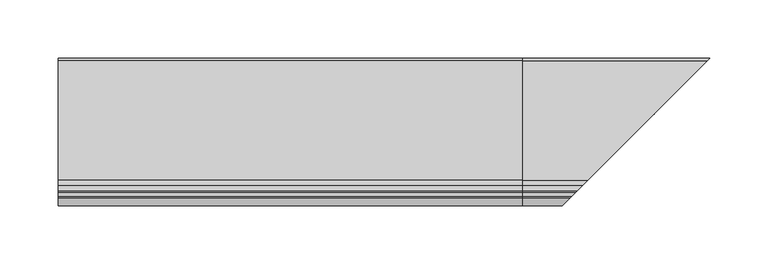
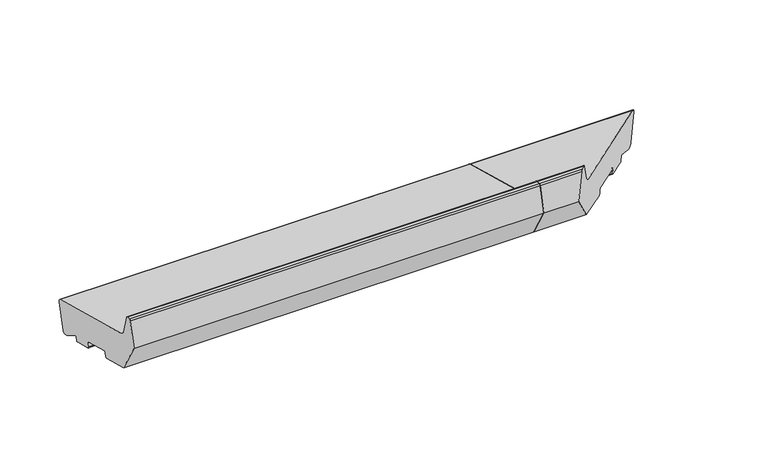
"""IFC4 building model written with IfcOpenShell, lengths in millimetres: proxy geometry."""

from ifc_helpers import new_model, si_unit, point, frame, frame_2d, origin, place, context, project, spatial, polyline, circle_curve, ellipse_curve, trimmed, segment, composite_curve, outline, extrude, source, transform, mapped, element, save
from ifc_brep_helpers import plane_surface, cylinder_surface, revolved_surface, advanced_brep


def generic_models_b66221b9(model_context):
    return source(origin(), model_context, "Body", "SolidModel", [
        advanced_brep(
        [(400.0, 28.1351575, 11.0), (400.0, 24.4609229, 8.8786797), (400.0, 21.7441453, 9.606638), (400.0, 7.5759156, 18.1940842), (400.0, 6.0916598, 17.5977226), (400.0, 5.1424063, 14.0550606), (400.0, 3.9176615, 13.3479538), (400.0, -13.4690034, 18.0066966), (400.0, -14.1761102, 19.2314415), (400.0, -13.140834, 23.0951448), (400.0, -13.8479408, 24.3198896), (400.0, -41.8597898, 31.8256419), (400.0, -43.0845346, 31.1185352), (400.0, -44.1198108, 27.2548319), (400.0, -45.3445557, 26.5477251), (400.0, -74.3223305, 34.3122964), (400.0, -92.0, 64.9309182), (400.0, -85.4291321, 89.4537311), (400.0, -83.9802434, 90.5655025), (400.0, -80.6368689, 90.5655025), (400.0, -79.1879801, 89.4537311), (400.0, -74.4052841, 71.6044663), (400.0, -70.1626434, 67.3618256), (400.0, 32.7431323, 39.7883061), (400.0, 34.8644526, 36.1140715), (560.8644526, 34.8644526, 36.1140715), (554.1351575, 28.1351575, 11.0), (558.7431323, 32.7431323, 39.7883061), (455.8373566, -70.1626434, 67.3618256), (451.5947159, -74.4052841, 71.6044663), (446.8120199, -79.1879801, 89.4537311), (445.3631311, -80.6368689, 90.5655025), (442.0197566, -83.9802434, 90.5655025), (440.5708679, -85.4291321, 89.4537311), (434.0, -92.0, 64.9309182), (451.6776695, -74.3223305, 34.3122964), (480.6554443, -45.3445557, 26.5477251), (481.8801892, -44.1198108, 27.2548319), (482.9154654, -43.0845346, 31.1185352), (484.1402102, -41.8597898, 31.8256419), (512.1520592, -13.8479408, 24.3198896), (512.859166, -13.140834, 23.0951448), (511.8238898, -14.1761102, 19.2314415), (512.5309966, -13.4690034, 18.0066966), (529.9176615, 3.9176615, 13.3479538), (531.1424063, 5.1424063, 14.0550606), (532.0916598, 6.0916598, 17.5977226), (533.5759156, 7.5759156, 18.1940842), (547.7441453, 21.7441453, 9.606638), (550.4609229, 24.4609229, 8.8786797)],
        [
            (0, 1, circle_curve(frame((400.0, 25.23738, 11.7764571), z_axis=(-1.0, 0.0, 0.0), x_axis=(0.0, 1.0, 0.0)), 3.0)),
            (1, 2),
            (2, 3),
            (3, 4, circle_curve(frame((400.0, 7.0575856, 17.3389035), z_axis=(1.0, 0.0, 0.0), x_axis=(0.0, 1.0, 0.0)), 1.0)),
            (4, 5),
            (5, 6, circle_curve(frame((400.0, 4.1764805, 14.3138796), z_axis=(-1.0, 0.0, 0.0), x_axis=(0.0, 1.0, 0.0)), 1.0)),
            (6, 7),
            (7, 8, circle_curve(frame((400.0, -13.2101844, 18.9726224), z_axis=(-1.0, 0.0, 0.0), x_axis=(0.0, 1.0, 0.0)), 1.0)),
            (8, 9),
            (9, 10, circle_curve(frame((400.0, -14.1067598, 23.3539638), z_axis=(1.0, 0.0, 0.0), x_axis=(0.0, 1.0, 0.0)), 1.0)),
            (10, 11),
            (11, 12, circle_curve(frame((400.0, -42.1186088, 30.8597161), z_axis=(1.0, 0.0, 0.0), x_axis=(0.0, 1.0, 0.0)), 1.0)),
            (12, 13),
            (13, 14, circle_curve(frame((400.0, -45.0857366, 27.5136509), z_axis=(-1.0, 0.0, 0.0), x_axis=(0.0, 1.0, 0.0)), 1.0)),
            (14, 15),
            (15, 16),
            (16, 17),
            (17, 18, circle_curve(frame((400.0, -83.9802434, 89.0655025), z_axis=(-1.0, 0.0, 0.0), x_axis=(0.0, 1.0, 0.0)), 1.5)),
            (18, 19),
            (19, 20, circle_curve(frame((400.0, -80.6368689, 89.0655025), z_axis=(-1.0, 0.0, 0.0), x_axis=(0.0, 1.0, 0.0)), 1.5)),
            (20, 21),
            (21, 22, circle_curve(frame((400.0, -68.6097291, 73.1573805), z_axis=(1.0, 0.0, 0.0), x_axis=(0.0, 1.0, 0.0)), 6.0)),
            (22, 23),
            (23, 24, circle_curve(frame((400.0, 31.9666752, 36.8905286), z_axis=(-1.0, 0.0, 0.0), x_axis=(0.0, 1.0, 0.0)), 3.0)),
            (24, 0),
            (24, 25),
            (25, 26),
            (26, 0),
            (23, 27),
            (27, 25, ellipse_curve(frame((557.9666752, 31.9666752, 36.8905286), z_axis=(-0.707106781186548, 0.7071067811865471, 0.0), x_axis=(0.707106781186547, 0.707106781186548, 0.0)), 4.2426407, 3.0)),
            (22, 28),
            (28, 27),
            (21, 29),
            (29, 28, ellipse_curve(frame((457.3902709, -68.6097291, 73.1573805), z_axis=(0.707106781186548, -0.7071067811865471, 0.0), x_axis=(-0.707106781186547, -0.707106781186548, 0.0)), 8.4852814, 6.0)),
            (20, 30),
            (30, 29),
            (19, 31),
            (31, 30, ellipse_curve(frame((445.3631311, -80.6368689, 89.0655025), z_axis=(-0.707106781186548, 0.7071067811865471, 0.0), x_axis=(0.707106781186547, 0.707106781186548, 0.0)), 2.1213203, 1.5)),
            (18, 32),
            (32, 31),
            (17, 33),
            (33, 32, ellipse_curve(frame((442.0197566, -83.9802434, 89.0655025), z_axis=(-0.707106781186548, 0.7071067811865471, 0.0), x_axis=(0.707106781186547, 0.707106781186548, 0.0)), 2.1213203, 1.5)),
            (16, 34),
            (34, 33),
            (15, 35),
            (35, 34),
            (14, 36),
            (36, 35),
            (13, 37),
            (37, 36, ellipse_curve(frame((480.9142634, -45.0857366, 27.5136509), z_axis=(-0.707106781186548, 0.7071067811865471, 0.0), x_axis=(0.707106781186547, 0.707106781186548, 0.0)), 1.4142136, 1.0)),
            (12, 38),
            (38, 37),
            (11, 39),
            (39, 38, ellipse_curve(frame((483.8813912, -42.1186088, 30.8597161), z_axis=(0.707106781186548, -0.7071067811865471, 0.0), x_axis=(-0.707106781186547, -0.707106781186548, 0.0)), 1.4142136, 1.0)),
            (10, 40),
            (40, 39),
            (9, 41),
            (41, 40, ellipse_curve(frame((511.8932402, -14.1067598, 23.3539638), z_axis=(0.707106781186548, -0.7071067811865471, 0.0), x_axis=(-0.707106781186547, -0.707106781186548, 0.0)), 1.4142136, 1.0)),
            (8, 42),
            (42, 41),
            (7, 43),
            (43, 42, ellipse_curve(frame((512.7898156, -13.2101844, 18.9726224), z_axis=(-0.707106781186548, 0.7071067811865471, 0.0), x_axis=(0.707106781186547, 0.707106781186548, 0.0)), 1.4142136, 1.0)),
            (6, 44),
            (44, 43),
            (5, 45),
            (45, 44, ellipse_curve(frame((530.1764805, 4.1764805, 14.3138796), z_axis=(-0.707106781186548, 0.7071067811865471, 0.0), x_axis=(0.707106781186547, 0.707106781186548, 0.0)), 1.4142136, 1.0)),
            (4, 46),
            (46, 45),
            (3, 47),
            (47, 46, ellipse_curve(frame((533.0575856, 7.0575856, 17.3389035), z_axis=(0.707106781186548, -0.7071067811865471, 0.0), x_axis=(-0.707106781186547, -0.707106781186548, 0.0)), 1.4142136, 1.0)),
            (2, 48),
            (48, 47),
            (26, 49, ellipse_curve(frame((551.23738, 25.23738, 11.7764571), z_axis=(-0.707106781186548, 0.7071067811865471, 0.0), x_axis=(0.707106781186547, 0.707106781186548, 0.0)), 4.2426407, 3.0)),
            (49, 1),
            (49, 48),
        ],
        [
            plane_surface(frame((400.0, 0.0, 0.0), z_axis=(-1.0, 0.0, 0.0), x_axis=(0.0, 0.0, 1.0))),
            plane_surface(frame((561.3741644, 34.8644526, 36.1140715), z_axis=(0.0, 0.9659258262890686, -0.2588190451025195), x_axis=(-1.0, 0.0, 0.0))),
            cylinder_surface(frame((561.3741644, 31.9666752, 36.8905286), z_axis=(1.0, 0.0, 0.0), x_axis=(0.0, 1.0, 0.0)), 3.0),
            plane_surface(frame((561.3741644, -70.1626434, 67.3618256), z_axis=(0.0, 0.25881904510252063, 0.9659258262890683), x_axis=(-1.0, 0.0, 0.0))),
            revolved_surface(polyline([(400.0, -62.609729099999996, 73.1573805), (463.39027091821606, -62.609729099999996, 73.1573805)]), (561.3741644, -68.6097291, 73.1573805), (-1.0, 0.0, 0.0)),
            plane_surface(frame((561.3741644, -79.1879801, 89.4537311), z_axis=(0.0, 0.9659258262890666, 0.258819045102527), x_axis=(-1.0, 0.0, 0.0))),
            cylinder_surface(frame((561.3741644, -80.6368689, 89.0655025), z_axis=(1.0, 0.0, 0.0), x_axis=(0.0, 1.0, 0.0)), 1.5),
            plane_surface(frame((561.3741644, -83.9802434, 90.5655025), z_axis=(0.0, 0.0, 1.0), x_axis=(-1.0, 0.0, 0.0))),
            cylinder_surface(frame((561.3741644, -83.9802434, 89.0655025), z_axis=(1.0, 0.0, 0.0), x_axis=(0.0, 1.0, 0.0)), 1.5),
            plane_surface(frame((561.3741644, -92.0, 64.9309182), z_axis=(0.0, -0.9659258262890682, 0.25881904510252096), x_axis=(-1.0, 0.0, 0.0))),
            plane_surface(frame((561.3741644, -74.3223305, 34.3122964), z_axis=(0.0, -0.8660254037844386, -0.5000000000000002), x_axis=(-1.0, 0.0, 0.0))),
            plane_surface(frame((561.3741644, -45.3445557, 26.5477251), z_axis=(0.0, -0.2588190451025206, -0.9659258262890683), x_axis=(-1.0, 0.0, 0.0))),
            cylinder_surface(frame((561.3741644, -45.0857366, 27.5136509), z_axis=(1.0, 0.0, 0.0), x_axis=(0.0, 1.0, 0.0)), 1.0),
            plane_surface(frame((561.3741644, -43.0845346, 31.1185352), z_axis=(0.0, 0.9659258262890698, -0.2588190451025152), x_axis=(-1.0, 0.0, 0.0))),
            revolved_surface(polyline([(400.0, -41.1186088, 30.8597161), (484.88139122660624, -41.1186088, 30.8597161)]), (561.3741644, -42.1186088, 30.8597161), (-1.0, 0.0, 0.0)),
            plane_surface(frame((561.3741644, -13.8479408, 24.3198896), z_axis=(0.0, -0.2588190451025199, -0.9659258262890685), x_axis=(-1.0, 0.0, 0.0))),
            revolved_surface(polyline([(400.0, -13.1067598, 23.3539638), (512.8932402266062, -13.1067598, 23.3539638)]), (561.3741644, -14.1067598, 23.3539638), (-1.0, 0.0, 0.0)),
            plane_surface(frame((561.3741644, -14.1761102, 19.2314415), z_axis=(0.0, -0.9659258262890702, 0.25881904510251375), x_axis=(-1.0, 0.0, 0.0))),
            cylinder_surface(frame((561.3741644, -13.2101844, 18.9726224), z_axis=(1.0, 0.0, 0.0), x_axis=(0.0, 1.0, 0.0)), 1.0),
            plane_surface(frame((561.3741644, 3.9176615, 13.3479538), z_axis=(0.0, -0.2588190451025191, -0.9659258262890688), x_axis=(-1.0, 0.0, 0.0))),
            cylinder_surface(frame((561.3741644, 4.1764805, 14.3138796), z_axis=(1.0, 0.0, 0.0), x_axis=(0.0, 1.0, 0.0)), 1.0),
            plane_surface(frame((561.3741644, 6.0916598, 17.5977226), z_axis=(0.0, 0.9659258262890679, -0.2588190451025223), x_axis=(-1.0, 0.0, 0.0))),
            revolved_surface(polyline([(400.0, 8.0575856, 17.3389035), (534.0575856266063, 8.0575856, 17.3389035)]), (561.3741644, 7.0575856, 17.3389035), (-1.0, 0.0, 0.0)),
            plane_surface(frame((561.3741644, 21.7441453, 9.606638), z_axis=(0.0, -0.5183299834329754, -0.855180699194253), x_axis=(-1.0, 0.0, 0.0))),
            cylinder_surface(frame((561.3741644, 25.23738, 11.7764571), z_axis=(1.0, 0.0, 0.0), x_axis=(0.0, 1.0, 0.0)), 3.0),
            plane_surface(frame((561.3741644, 24.4609229, 8.8786797), z_axis=(0.0, -0.25881904510252585, -0.9659258262890669), x_axis=(-1.0, 0.0, 0.0))),
            plane_surface(frame((507.2045815, -18.7954185, 0.0), z_axis=(0.707106781186548, -0.7071067811865471, 0.0), x_axis=(0.0, 0.0, 1.0))),
        ],
        [
            (0, [[1, 2, 3, 4, 5, 6, 7, 8, 9, 10, 11, 12, 13, 14, 15, 16, 17, 18, 19, 20, 21, 22, 23, 24, 25]]),
            (1, [[26, 27, 28, -25]]),
            (2, [[29, 30, -26, -24]]),
            (3, [[31, 32, -29, -23]]),
            (4, [[33, 34, -31, -22]]),
            (5, [[35, 36, -33, -21]]),
            (6, [[37, 38, -35, -20]]),
            (7, [[39, 40, -37, -19]]),
            (8, [[41, 42, -39, -18]]),
            (9, [[43, 44, -41, -17]]),
            (10, [[45, 46, -43, -16]]),
            (11, [[47, 48, -45, -15]]),
            (12, [[49, 50, -47, -14]]),
            (13, [[51, 52, -49, -13]]),
            (14, [[53, 54, -51, -12]]),
            (15, [[55, 56, -53, -11]]),
            (16, [[57, 58, -55, -10]]),
            (17, [[59, 60, -57, -9]]),
            (18, [[61, 62, -59, -8]]),
            (19, [[63, 64, -61, -7]]),
            (20, [[65, 66, -63, -6]]),
            (21, [[67, 68, -65, -5]]),
            (22, [[69, 70, -67, -4]]),
            (23, [[71, 72, -69, -3]]),
            (24, [[-28, 73, 74, -1]]),
            (25, [[-74, 75, -71, -2]]),
            (26, [[-30, -32, -34, -36, -38, -40, -42, -44, -46, -48, -50, -52, -54, -56, -58, -60, -62, -64, -66, -68, -70, -72, -75, -73, -27]]),
        ],
    ),
        extrude(outline(composite_curve([segment(trimmed(circle_curve(frame_2d((25.23738, 11.7764571)), 3.0), [point((28.1351575, 11.0))], [point((24.4609229, 8.8786797))], False, "CARTESIAN"), True, "CONTINUOUS"), segment(polyline([(24.4609229, 8.8786797), (21.7441453, 9.606638), (7.5759156, 18.1940842)]), True, "CONTINUOUS"), segment(trimmed(circle_curve(frame_2d((7.0575856, 17.3389035)), 1.0), [point((7.5759156, 18.1940842))], [point((6.0916598, 17.5977226))], True, "CARTESIAN"), True, "CONTINUOUS"), segment(polyline([(6.0916598, 17.5977226), (5.1424063, 14.0550606)]), True, "CONTINUOUS"), segment(trimmed(circle_curve(frame_2d((4.1764805, 14.3138796)), 1.0), [point((5.1424063, 14.0550606))], [point((3.9176615, 13.3479538))], False, "CARTESIAN"), True, "CONTINUOUS"), segment(polyline([(3.9176615, 13.3479538), (-13.4690034, 18.0066966)]), True, "CONTINUOUS"), segment(trimmed(circle_curve(frame_2d((-13.2101844, 18.9726224)), 1.0), [point((-13.4690034, 18.0066966))], [point((-14.1761102, 19.2314415))], False, "CARTESIAN"), True, "CONTINUOUS"), segment(polyline([(-14.1761102, 19.2314415), (-13.140834, 23.0951448)]), True, "CONTINUOUS"), segment(trimmed(circle_curve(frame_2d((-14.1067598, 23.3539638)), 1.0), [point((-13.140834, 23.0951448))], [point((-13.8479408, 24.3198896))], True, "CARTESIAN"), True, "CONTINUOUS"), segment(polyline([(-13.8479408, 24.3198896), (-41.8597898, 31.8256419)]), True, "CONTINUOUS"), segment(trimmed(circle_curve(frame_2d((-42.1186088, 30.8597161)), 1.0), [point((-41.8597898, 31.8256419))], [point((-43.0845346, 31.1185352))], True, "CARTESIAN"), True, "CONTINUOUS"), segment(polyline([(-43.0845346, 31.1185352), (-44.1198108, 27.2548319)]), True, "CONTINUOUS"), segment(trimmed(circle_curve(frame_2d((-45.0857366, 27.5136509)), 1.0), [point((-44.1198108, 27.2548319))], [point((-45.3445557, 26.5477251))], False, "CARTESIAN"), True, "CONTINUOUS"), segment(polyline([(-45.3445557, 26.5477251), (-74.3223305, 34.3122964), (-92.0, 64.9309182), (-85.4291321, 89.4537311)]), True, "CONTINUOUS"), segment(trimmed(circle_curve(frame_2d((-83.9802434, 89.0655025)), 1.5), [point((-85.4291321, 89.4537311))], [point((-83.9802434, 90.5655025))], False, "CARTESIAN"), True, "CONTINUOUS"), segment(polyline([(-83.9802434, 90.5655025), (-80.6368689, 90.5655025)]), True, "CONTINUOUS"), segment(trimmed(circle_curve(frame_2d((-80.6368689, 89.0655025)), 1.5), [point((-80.6368689, 90.5655025))], [point((-79.1879801, 89.4537311))], False, "CARTESIAN"), True, "CONTINUOUS"), segment(polyline([(-79.1879801, 89.4537311), (-74.4052841, 71.6044663)]), True, "CONTINUOUS"), segment(trimmed(circle_curve(frame_2d((-68.6097291, 73.1573805)), 6.0), [point((-74.4052841, 71.6044663))], [point((-70.1626434, 67.3618256))], True, "CARTESIAN"), True, "CONTINUOUS"), segment(polyline([(-70.1626434, 67.3618256), (32.7431323, 39.7883061)]), True, "CONTINUOUS"), segment(trimmed(circle_curve(frame_2d((31.9666752, 36.8905286)), 3.0), [point((32.7431323, 39.7883061))], [point((34.8644526, 36.1140715))], False, "CARTESIAN"), True, "CONTINUOUS"), segment(polyline([(34.8644526, 36.1140715), (28.1351575, 11.0)]), True, "CONTINUOUS")], self_intersect=False)), frame((0.0, 0.0, 0.0), z_axis=(1.0, 0.0, 0.0), x_axis=(0.0, 1.0, 0.0)), (0.0, 0.0, 1.0), 400.0),
    ])


if __name__ == "__main__":
    model = new_model("IFC4")
    model_context = context("Model", 3, world=origin())
    ifc_project = project(units=[si_unit("LENGTHUNIT", "METRE", prefix="MILLI")], contexts=[model_context])
    site = spatial("IfcSite", under=ifc_project)
    building = spatial("IfcBuilding", under=site)
    placement = place(None, origin())
    generic_models_shape = generic_models_b66221b9(model_context)
    element("IfcBuildingElementProxy", 1, Name="Generic Models", at=placement, inside=building, context=model_context, shape_type="MappedRepresentation", body=[
        mapped(generic_models_shape, transform((0.0, 0.0, 0.0), x_axis=(1.0, 0.0, 0.0), y_axis=(0.0, 1.0, 0.0), z_axis=(0.0, 0.0, 1.0))),
    ])
    save(model, "model.ifc")
